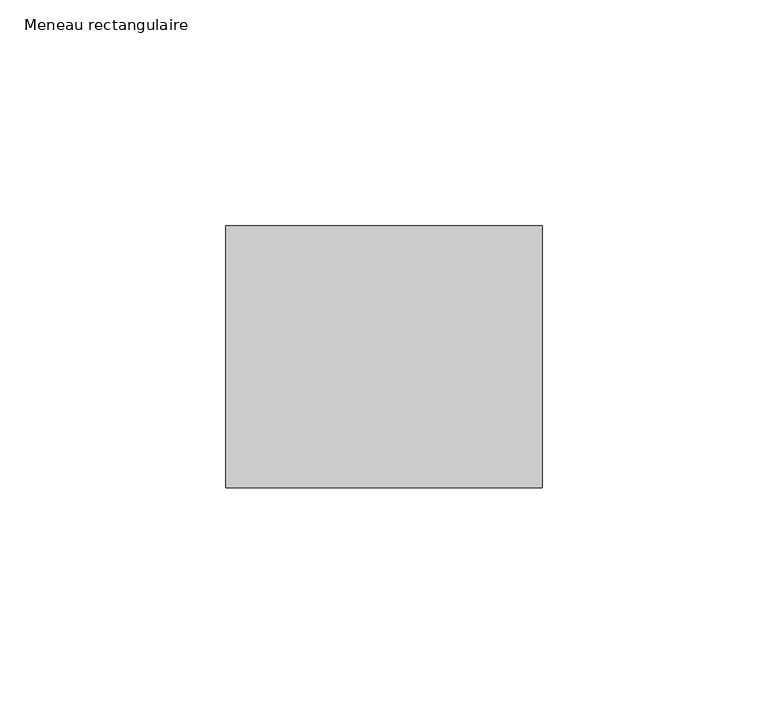
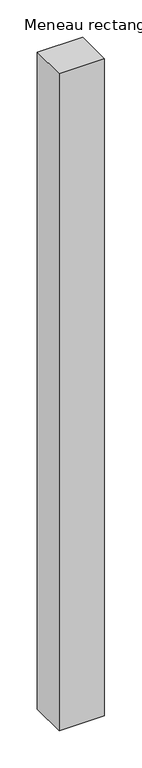
"""IFC4 building model written with IfcOpenShell, lengths in millimetres: member geometry, Meneau rectangulaire."""

from ifc_helpers import new_model, si_unit, frame, origin, place, context, project, spatial, polyline, outline, extrude, source, transform, mapped, element, save


def meneau_rectangulaire_feeb5cd1(model_context):
    return source(origin(), model_context, "Body", "SweptSolid", [
        extrude(outline(polyline([(0.0, 29.0), (0.0, -29.0), (-70.0, -29.0), (-70.0, 29.0), (0.0, 29.0)])), frame((0.0, 0.0, -1071.3830689), z_axis=(0.0, 0.0, 1.0), x_axis=(1.0, 0.0, 0.0)), (0.0, 0.0, 1.0), 1071.3830689),
    ])


if __name__ == "__main__":
    model = new_model("IFC4")
    model_context = context("Model", 3, world=origin())
    ifc_project = project(units=[si_unit("LENGTHUNIT", "METRE", prefix="MILLI")], contexts=[model_context])
    site = spatial("IfcSite", under=ifc_project)
    building = spatial("IfcBuilding", under=site)
    placement = place(None, origin())
    meneau_rectangulaire_shape = meneau_rectangulaire_feeb5cd1(model_context)
    element("IfcMember", 1, ObjectType="Meneau rectangulaire", at=placement, inside=building, context=model_context, shape_type="MappedRepresentation", body=[
        mapped(meneau_rectangulaire_shape, transform((0.0, 0.0, 0.0), x_axis=(1.0, 0.0, 0.0), y_axis=(0.0, 1.0, 0.0), z_axis=(0.0, 0.0, 1.0))),
    ])
    save(model, "model.ifc")
